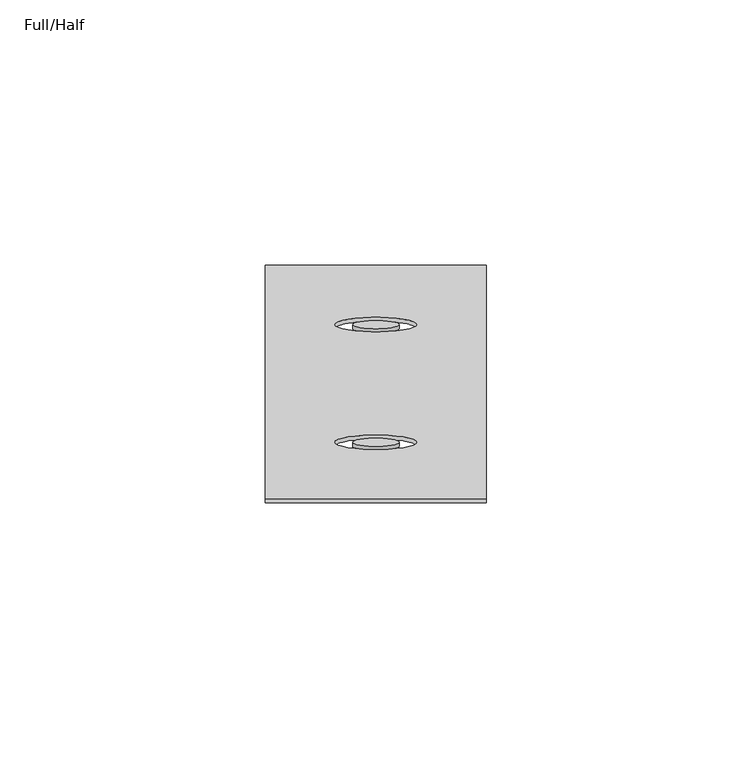
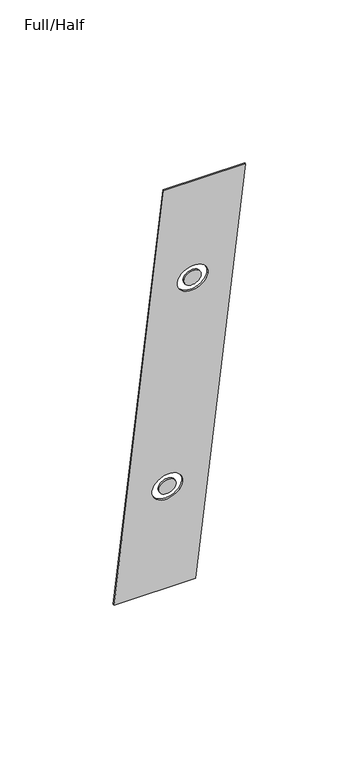
"""IFC4 building model written with IfcOpenShell, lengths in millimetres: furniture geometry, Full/Half."""

import ifcopenshell
import ifcopenshell.guid

model = None  # the IFC model being written
_history = None  # IfcOwnerHistory: only IFC2X3 demands one
_inside = {}  # id of a spatial element -> (the spatial element, [elements in it])
_under = {}  # id of a project, library or spatial element -> (it, [spatial elements below it])
_declared = {}  # id of a project -> (the project, [libraries it declares])
_typed = {}  # id of a type object -> (the type object, [elements of that type])
_made_of = {}  # id of a material, layer set ... -> (it, [elements and type objects made of it])


def new_model(schema):
    """Start an empty IFC model of exactly this schema.

    Asked for "IFC4X3", IfcOpenShell would pick the latest addendum, in which some entities
    have other attributes; the version numbers below select the first issue.
    IFC2X3 requires an IfcOwnerHistory on every rooted entity: one is made here for all.
    """
    global model, _history
    if schema == "IFC4X3":
        model = ifcopenshell.file(schema_version=(4, 3, 0, 0))
    else:
        model = ifcopenshell.file(schema=schema)
    _inside.clear()
    _under.clear()
    _declared.clear()
    _typed.clear()
    _made_of.clear()
    _history = None
    if model.schema == "IFC2X3":
        org = make("IfcOrganization", Name="unknown")
        user = make(
            "IfcPersonAndOrganization",
            ThePerson=make("IfcPerson", FamilyName="unknown"),
            TheOrganization=org,
        )
        app = make(
            "IfcApplication",
            ApplicationDeveloper=org,
            Version="unknown",
            ApplicationFullName="unknown",
            ApplicationIdentifier="unknown",
        )
        _history = make(
            "IfcOwnerHistory",
            OwningUser=user,
            OwningApplication=app,
            ChangeAction="ADDED",
            CreationDate=0,
        )
    return model


def make(cls, **values):
    """One entity of the class cls with the attributes given. An attribute that is None is left unset."""
    return model.create_entity(
        cls, **{name: value for name, value in values.items() if value is not None}
    )


def rooted(cls, **values):
    """An entity with a GlobalId (a new one), such as an element, a storey or a relation."""
    return make(cls, GlobalId=ifcopenshell.guid.new(), OwnerHistory=_history, **values)


def si_unit(unit_type, name, prefix=None):
    """IfcSIUnit, for example si_unit("LENGTHUNIT", "METRE", prefix="MILLI")."""
    return make("IfcSIUnit", UnitType=unit_type, Prefix=prefix, Name=name)


def assignment(units):
    """IfcUnitAssignment: the units of a project."""
    return None if units is None else make("IfcUnitAssignment", Units=units)


def point(xyz):
    """IfcCartesianPoint."""
    return None if xyz is None else make("IfcCartesianPoint", Coordinates=xyz)


def direction(xyz):
    """IfcDirection."""
    return None if xyz is None else make("IfcDirection", DirectionRatios=xyz)


def frame(location, z_axis=None, x_axis=None):
    """IfcAxis2Placement3D, a coordinate frame: its origin and axes. An axis left out is left unset."""
    return make(
        "IfcAxis2Placement3D",
        Location=point(location),
        Axis=direction(z_axis),
        RefDirection=direction(x_axis),
    )


def frame_2d(location, x_axis=None):
    """IfcAxis2Placement2D, a coordinate frame in the plane: its origin and x axis."""
    return make(
        "IfcAxis2Placement2D", Location=point(location), RefDirection=direction(x_axis)
    )


def origin():
    """The frame at (0, 0, 0) with its axes left unset."""
    return frame((0.0, 0.0, 0.0))


def place(relative_to, where):
    """IfcLocalPlacement: puts the frame where relative to a parent placement (None: the world)."""
    return make(
        "IfcLocalPlacement", PlacementRelTo=relative_to, RelativePlacement=where
    )


def context(
    kind, dimensions, precision=None, world=None, true_north=None, identifier=None
):
    """IfcGeometricRepresentationContext, for example the 3D "Model" context."""
    return make(
        "IfcGeometricRepresentationContext",
        ContextIdentifier=identifier,
        ContextType=kind,
        CoordinateSpaceDimension=dimensions,
        Precision=precision,
        WorldCoordinateSystem=world,
        TrueNorth=true_north,
    )


def project(units=None, contexts=None):
    """IfcProject with its units and contexts."""
    return rooted(
        "IfcProject",
        Name="project",
        RepresentationContexts=contexts,
        UnitsInContext=assignment(units),
    )


def spatial(cls, under=None, at=None, **own):
    """A site, building, storey or space (cls), placed at a placement, below another one or the project."""
    s = rooted(cls, ObjectPlacement=at, **own)
    if under is not None:
        _under.setdefault(under.id(), (under, []))[1].append(s)
    return s


def polyline(points):
    """IfcPolyline through the points."""
    return make("IfcPolyline", Points=[point(p) for p in points])


def circle_curve(where, radius):
    """IfcCircle in the frame where."""
    return make("IfcCircle", Position=where, Radius=radius)


def trimmed(basis, trim1, trim2, sense, master):
    """IfcTrimmedCurve: the piece of a basis curve between two trims."""
    return make(
        "IfcTrimmedCurve",
        BasisCurve=basis,
        Trim1=trim1,
        Trim2=trim2,
        SenseAgreement=sense,
        MasterRepresentation=master,
    )


def segment(curve, same_sense, transition):
    """IfcCompositeCurveSegment."""
    return make(
        "IfcCompositeCurveSegment",
        Transition=transition,
        SameSense=same_sense,
        ParentCurve=curve,
    )


def composite_curve(segments, self_intersect=None):
    """IfcCompositeCurve: segments joined end to end."""
    return make("IfcCompositeCurve", Segments=segments, SelfIntersect=self_intersect)


def outline(outer, holes=None, kind="AREA"):
    """IfcArbitraryClosedProfileDef: a profile drawn as a closed curve; with holes, ...WithVoids."""
    if holes is None:
        return make("IfcArbitraryClosedProfileDef", ProfileType=kind, OuterCurve=outer)
    return make(
        "IfcArbitraryProfileDefWithVoids",
        ProfileType=kind,
        OuterCurve=outer,
        InnerCurves=holes,
    )


def extrude(swept, where, along, depth):
    """IfcExtrudedAreaSolid: the profile swept, set in the frame where, extruded along a direction by depth."""
    return make(
        "IfcExtrudedAreaSolid",
        SweptArea=swept,
        Position=where,
        ExtrudedDirection=direction(along),
        Depth=depth,
    )


def shape(context_of_items, identifier, shape_type, items):
    """IfcShapeRepresentation: the items that make up one representation, for example the "Body"."""
    return make(
        "IfcShapeRepresentation",
        ContextOfItems=context_of_items,
        RepresentationIdentifier=identifier,
        RepresentationType=shape_type,
        Items=items,
    )


def source(mapping_origin, context_of_items, identifier, shape_type, items):
    """IfcRepresentationMap: a shape defined once, which mapped items show again and again."""
    return make(
        "IfcRepresentationMap",
        MappingOrigin=mapping_origin,
        MappedRepresentation=shape(context_of_items, identifier, shape_type, items),
    )


def transform(
    local_origin,
    x_axis=None,
    y_axis=None,
    z_axis=None,
    scale=None,
    scale2=None,
    scale3=None,
    uniform=True,
):
    """IfcCartesianTransformationOperator3D, or its non-uniform kind. x_axis, y_axis, z_axis: its Axis1, 2, 3."""
    if uniform:
        return make(
            "IfcCartesianTransformationOperator3D",
            Axis1=direction(x_axis),
            Axis2=direction(y_axis),
            LocalOrigin=point(local_origin),
            Scale=scale,
            Axis3=direction(z_axis),
        )
    return make(
        "IfcCartesianTransformationOperator3DnonUniform",
        Axis1=direction(x_axis),
        Axis2=direction(y_axis),
        LocalOrigin=point(local_origin),
        Scale=scale,
        Axis3=direction(z_axis),
        Scale2=scale2,
        Scale3=scale3,
    )


def mapped(mapping_source, mapping_target):
    """IfcMappedItem: shows the shape of a source again, moved by a transform."""
    return make(
        "IfcMappedItem", MappingSource=mapping_source, MappingTarget=mapping_target
    )


def made_of(thing, what):
    """Note that an element or type object is made of a material, layer set ...; save() writes the relation."""
    if what is not None:
        _made_of.setdefault(what.id(), (what, []))[1].append(thing)
    return thing


def element(
    cls,
    number,
    at=None,
    inside=None,
    cuts=None,
    type_object=None,
    material=None,
    context=None,
    identifier="Body",
    shape_type=None,
    held_by="IfcProductDefinitionShape",
    body=None,
    shapes=None,
    **own,
):
    """One element of the class cls, such as IfcWall. Its Tag is "e" and its number.

    at: its placement. inside: the storey or other place that contains it. cuts: it is an
    opening in that element (IfcRelVoidsElement). A single representation is given by context,
    identifier, shape_type and body (its items); several are given by shapes. held_by: the class
    of the entity that holds the representations. save() writes the other relations.
    """
    e = rooted(cls, Tag="e%d" % number, ObjectPlacement=at, **own)
    if body is not None:
        shapes = [shape(context, identifier, shape_type, body)]
    if shapes is not None:
        e.Representation = make(held_by, Representations=shapes)
    if inside is not None:
        _inside.setdefault(inside.id(), (inside, []))[1].append(e)
    if cuts is not None:
        rooted(
            "IfcRelVoidsElement", RelatingBuildingElement=cuts, RelatedOpeningElement=e
        )
    if type_object is not None:
        _typed.setdefault(type_object.id(), (type_object, []))[1].append(e)
    return made_of(e, material)


def aggregate(whole, parts):
    """IfcRelAggregates: a whole, such as a stair, and the parts it consists of."""
    return rooted("IfcRelAggregates", RelatingObject=whole, RelatedObjects=parts)


def save(model, path):
    """Write the relations noted so far, then the file.

    IfcRelAggregates (storeys below a building ...), IfcRelContainedInSpatialStructure (elements
    in a storey), IfcRelDefinesByType, IfcRelAssociatesMaterial and IfcRelDeclares: one each for
    every whole, place, type object, material and project.
    """
    for whole, parts in _under.values():
        aggregate(whole, parts)
    for where, things in _inside.values():
        rooted(
            "IfcRelContainedInSpatialStructure",
            RelatedElements=things,
            RelatingStructure=where,
        )
    for kind, things in _typed.values():
        rooted("IfcRelDefinesByType", RelatedObjects=things, RelatingType=kind)
    for what, things in _made_of.values():
        rooted("IfcRelAssociatesMaterial", RelatedObjects=things, RelatingMaterial=what)
    for by, libraries in _declared.values():
        rooted("IfcRelDeclares", RelatingContext=by, RelatedDefinitions=libraries)
    model.write(path)


def full_half_125b1efd(model_context):
    return source(origin(), model_context, "Body", "SweptSolid", [
        extrude(outline(polyline([(41.7834961, 0.0), (0.0, 0.0), (0.0, 253.9999999), (41.7834961, 253.9999999), (41.7834961, 0.0)]), holes=[composite_curve([segment(trimmed(circle_curve(frame_2d((20.8958691, 61.4696537)), 7.7534661), [point((13.142403, 61.4696537))], [point((28.6493353, 61.4696537))], True, "CARTESIAN"), True, "CONTINUOUS"), segment(trimmed(circle_curve(frame_2d((20.8958691, 61.4696537)), 7.7534661), [point((28.6493353, 61.4696537))], [point((13.142403, 61.4696537))], True, "CARTESIAN"), True, "CONTINUOUS")], self_intersect=False), composite_curve([segment(trimmed(circle_curve(frame_2d((20.8958905, 189.4960628)), 7.7534661), [point((13.1424244, 189.4960628))], [point((28.6493566, 189.4960628))], True, "CARTESIAN"), True, "CONTINUOUS"), segment(trimmed(circle_curve(frame_2d((20.8958905, 189.4960628)), 7.7534661), [point((28.6493566, 189.4960628))], [point((13.1424244, 189.4960628))], True, "CARTESIAN"), True, "CONTINUOUS")], self_intersect=False)]), frame((3.6659394, -111.8826558, 460.0282657), z_axis=(0.0, 0.9848113970932373, 0.17362750978824254), x_axis=(1.0, 0.0, 0.0)), (0.0, 0.0, 1.0), 0.7594233),
        extrude(outline(composite_curve([segment(trimmed(circle_curve(frame_2d((20.8958691, 61.4696537)), 4.3853305), [point((16.5105386, 61.4696537))], [point((25.2811997, 61.4696537))], False, "CARTESIAN"), True, "CONTINUOUS"), segment(trimmed(circle_curve(frame_2d((20.8958691, 61.4696537)), 4.3853305), [point((25.2811997, 61.4696537))], [point((16.5105386, 61.4696537))], False, "CARTESIAN"), True, "CONTINUOUS")], self_intersect=False)), frame((3.6659394, -111.8826558, 460.0282657), z_axis=(0.0, 0.9848113970932373, 0.17362750978824254), x_axis=(1.0, 0.0, 0.0)), (0.0, 0.0, 1.0), 0.7594233),
        extrude(outline(composite_curve([segment(trimmed(circle_curve(frame_2d((20.8958905, 189.4960628)), 4.3853305), [point((16.51056, 189.4960628))], [point((25.281221, 189.4960628))], False, "CARTESIAN"), True, "CONTINUOUS"), segment(trimmed(circle_curve(frame_2d((20.8958905, 189.4960628)), 4.3853305), [point((25.281221, 189.4960628))], [point((16.51056, 189.4960628))], False, "CARTESIAN"), True, "CONTINUOUS")], self_intersect=False)), frame((3.6659394, -111.8826558, 460.0282657), z_axis=(0.0, 0.9848113970932373, 0.17362750978824254), x_axis=(1.0, 0.0, 0.0)), (0.0, 0.0, 1.0), 0.7594233),
    ])


if __name__ == "__main__":
    model = new_model("IFC4")
    model_context = context("Model", 3, world=origin())
    ifc_project = project(units=[si_unit("LENGTHUNIT", "METRE", prefix="MILLI")], contexts=[model_context])
    site = spatial("IfcSite", under=ifc_project)
    building = spatial("IfcBuilding", under=site)
    placement = place(None, origin())
    full_half_shape = full_half_125b1efd(model_context)
    element("IfcFurniture", 1, ObjectType="Full/Half", at=placement, inside=building, context=model_context, shape_type="MappedRepresentation", body=[
        mapped(full_half_shape, transform((0.0, 0.0, 0.0), x_axis=(1.0, 0.0, 0.0), y_axis=(0.0, 1.0, 0.0), z_axis=(0.0, 0.0, 1.0))),
    ])
    save(model, "model.ifc")
